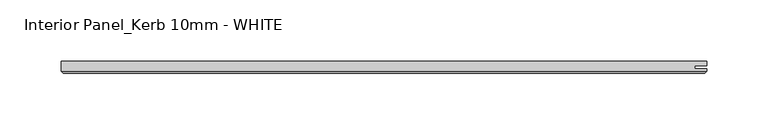
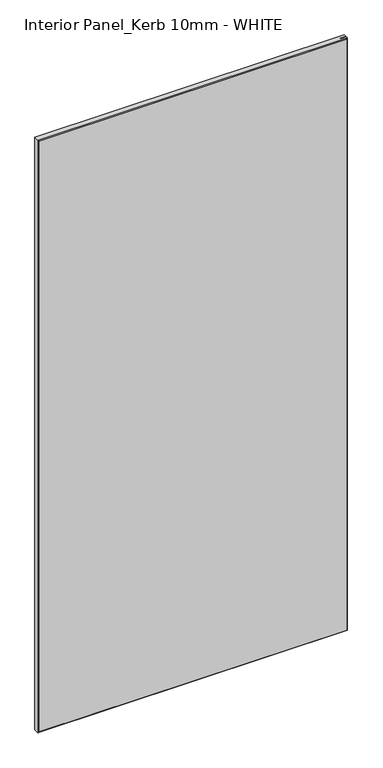
"""IFC4 building model written with IfcOpenShell, lengths in millimetres: proxy geometry, Interior Panel_Kerb 10mm - WHITE."""

import ifcopenshell
import ifcopenshell.guid

model = None  # the IFC model being written
_history = None  # IfcOwnerHistory: only IFC2X3 demands one
_inside = {}  # id of a spatial element -> (the spatial element, [elements in it])
_under = {}  # id of a project, library or spatial element -> (it, [spatial elements below it])
_declared = {}  # id of a project -> (the project, [libraries it declares])
_typed = {}  # id of a type object -> (the type object, [elements of that type])
_made_of = {}  # id of a material, layer set ... -> (it, [elements and type objects made of it])


def new_model(schema):
    """Start an empty IFC model of exactly this schema.

    Asked for "IFC4X3", IfcOpenShell would pick the latest addendum, in which some entities
    have other attributes; the version numbers below select the first issue.
    IFC2X3 requires an IfcOwnerHistory on every rooted entity: one is made here for all.
    """
    global model, _history
    if schema == "IFC4X3":
        model = ifcopenshell.file(schema_version=(4, 3, 0, 0))
    else:
        model = ifcopenshell.file(schema=schema)
    _inside.clear()
    _under.clear()
    _declared.clear()
    _typed.clear()
    _made_of.clear()
    _history = None
    if model.schema == "IFC2X3":
        org = make("IfcOrganization", Name="unknown")
        user = make(
            "IfcPersonAndOrganization",
            ThePerson=make("IfcPerson", FamilyName="unknown"),
            TheOrganization=org,
        )
        app = make(
            "IfcApplication",
            ApplicationDeveloper=org,
            Version="unknown",
            ApplicationFullName="unknown",
            ApplicationIdentifier="unknown",
        )
        _history = make(
            "IfcOwnerHistory",
            OwningUser=user,
            OwningApplication=app,
            ChangeAction="ADDED",
            CreationDate=0,
        )
    return model


def make(cls, **values):
    """One entity of the class cls with the attributes given. An attribute that is None is left unset."""
    return model.create_entity(
        cls, **{name: value for name, value in values.items() if value is not None}
    )


def rooted(cls, **values):
    """An entity with a GlobalId (a new one), such as an element, a storey or a relation."""
    return make(cls, GlobalId=ifcopenshell.guid.new(), OwnerHistory=_history, **values)


def si_unit(unit_type, name, prefix=None):
    """IfcSIUnit, for example si_unit("LENGTHUNIT", "METRE", prefix="MILLI")."""
    return make("IfcSIUnit", UnitType=unit_type, Prefix=prefix, Name=name)


def assignment(units):
    """IfcUnitAssignment: the units of a project."""
    return None if units is None else make("IfcUnitAssignment", Units=units)


def point(xyz):
    """IfcCartesianPoint."""
    return None if xyz is None else make("IfcCartesianPoint", Coordinates=xyz)


def direction(xyz):
    """IfcDirection."""
    return None if xyz is None else make("IfcDirection", DirectionRatios=xyz)


def frame(location, z_axis=None, x_axis=None):
    """IfcAxis2Placement3D, a coordinate frame: its origin and axes. An axis left out is left unset."""
    return make(
        "IfcAxis2Placement3D",
        Location=point(location),
        Axis=direction(z_axis),
        RefDirection=direction(x_axis),
    )


def origin():
    """The frame at (0, 0, 0) with its axes left unset."""
    return frame((0.0, 0.0, 0.0))


def place(relative_to, where):
    """IfcLocalPlacement: puts the frame where relative to a parent placement (None: the world)."""
    return make(
        "IfcLocalPlacement", PlacementRelTo=relative_to, RelativePlacement=where
    )


def context(
    kind, dimensions, precision=None, world=None, true_north=None, identifier=None
):
    """IfcGeometricRepresentationContext, for example the 3D "Model" context."""
    return make(
        "IfcGeometricRepresentationContext",
        ContextIdentifier=identifier,
        ContextType=kind,
        CoordinateSpaceDimension=dimensions,
        Precision=precision,
        WorldCoordinateSystem=world,
        TrueNorth=true_north,
    )


def project(units=None, contexts=None):
    """IfcProject with its units and contexts."""
    return rooted(
        "IfcProject",
        Name="project",
        RepresentationContexts=contexts,
        UnitsInContext=assignment(units),
    )


def spatial(cls, under=None, at=None, **own):
    """A site, building, storey or space (cls), placed at a placement, below another one or the project."""
    s = rooted(cls, ObjectPlacement=at, **own)
    if under is not None:
        _under.setdefault(under.id(), (under, []))[1].append(s)
    return s


def faces_of(points, faces, orient=None, outer=None):
    """IfcFace entities. A face is a list of loops; a loop is a list of indices into points, from 0.

    orient and outer hold one flag for each loop. By default every Orientation is true, the
    first loop of a face is its IfcFaceOuterBound and the others are IfcFaceBound.
    """
    made = []
    for i, loops in enumerate(faces):
        bounds = []
        for j, loop in enumerate(loops):
            is_outer = j == 0 if outer is None else outer[i][j]
            bounds.append(
                make(
                    "IfcFaceOuterBound" if is_outer else "IfcFaceBound",
                    Bound=make("IfcPolyLoop", Polygon=[points[k] for k in loop]),
                    Orientation=True if orient is None else orient[i][j],
                )
            )
        made.append(make("IfcFace", Bounds=bounds))
    return made


def faceted_brep(points, faces, orient=None, outer=None, voids=None):
    """IfcFacetedBrep: a solid bounded by flat faces; with voids (closed shells), ...WithVoids."""
    shared = [point(p) for p in points]
    hull = make("IfcClosedShell", CfsFaces=faces_of(shared, faces, orient, outer))
    if voids is None:
        return make("IfcFacetedBrep", Outer=hull)
    return make(
        "IfcFacetedBrepWithVoids",
        Outer=hull,
        Voids=[
            make(cls, CfsFaces=faces_of(shared, fs, o, b)) for cls, fs, o, b in voids
        ],
    )


def shape(context_of_items, identifier, shape_type, items):
    """IfcShapeRepresentation: the items that make up one representation, for example the "Body"."""
    return make(
        "IfcShapeRepresentation",
        ContextOfItems=context_of_items,
        RepresentationIdentifier=identifier,
        RepresentationType=shape_type,
        Items=items,
    )


def source(mapping_origin, context_of_items, identifier, shape_type, items):
    """IfcRepresentationMap: a shape defined once, which mapped items show again and again."""
    return make(
        "IfcRepresentationMap",
        MappingOrigin=mapping_origin,
        MappedRepresentation=shape(context_of_items, identifier, shape_type, items),
    )


def transform(
    local_origin,
    x_axis=None,
    y_axis=None,
    z_axis=None,
    scale=None,
    scale2=None,
    scale3=None,
    uniform=True,
):
    """IfcCartesianTransformationOperator3D, or its non-uniform kind. x_axis, y_axis, z_axis: its Axis1, 2, 3."""
    if uniform:
        return make(
            "IfcCartesianTransformationOperator3D",
            Axis1=direction(x_axis),
            Axis2=direction(y_axis),
            LocalOrigin=point(local_origin),
            Scale=scale,
            Axis3=direction(z_axis),
        )
    return make(
        "IfcCartesianTransformationOperator3DnonUniform",
        Axis1=direction(x_axis),
        Axis2=direction(y_axis),
        LocalOrigin=point(local_origin),
        Scale=scale,
        Axis3=direction(z_axis),
        Scale2=scale2,
        Scale3=scale3,
    )


def mapped(mapping_source, mapping_target):
    """IfcMappedItem: shows the shape of a source again, moved by a transform."""
    return make(
        "IfcMappedItem", MappingSource=mapping_source, MappingTarget=mapping_target
    )


def made_of(thing, what):
    """Note that an element or type object is made of a material, layer set ...; save() writes the relation."""
    if what is not None:
        _made_of.setdefault(what.id(), (what, []))[1].append(thing)
    return thing


def element(
    cls,
    number,
    at=None,
    inside=None,
    cuts=None,
    type_object=None,
    material=None,
    context=None,
    identifier="Body",
    shape_type=None,
    held_by="IfcProductDefinitionShape",
    body=None,
    shapes=None,
    **own,
):
    """One element of the class cls, such as IfcWall. Its Tag is "e" and its number.

    at: its placement. inside: the storey or other place that contains it. cuts: it is an
    opening in that element (IfcRelVoidsElement). A single representation is given by context,
    identifier, shape_type and body (its items); several are given by shapes. held_by: the class
    of the entity that holds the representations. save() writes the other relations.
    """
    e = rooted(cls, Tag="e%d" % number, ObjectPlacement=at, **own)
    if body is not None:
        shapes = [shape(context, identifier, shape_type, body)]
    if shapes is not None:
        e.Representation = make(held_by, Representations=shapes)
    if inside is not None:
        _inside.setdefault(inside.id(), (inside, []))[1].append(e)
    if cuts is not None:
        rooted(
            "IfcRelVoidsElement", RelatingBuildingElement=cuts, RelatedOpeningElement=e
        )
    if type_object is not None:
        _typed.setdefault(type_object.id(), (type_object, []))[1].append(e)
    return made_of(e, material)


def aggregate(whole, parts):
    """IfcRelAggregates: a whole, such as a stair, and the parts it consists of."""
    return rooted("IfcRelAggregates", RelatingObject=whole, RelatedObjects=parts)


def save(model, path):
    """Write the relations noted so far, then the file.

    IfcRelAggregates (storeys below a building ...), IfcRelContainedInSpatialStructure (elements
    in a storey), IfcRelDefinesByType, IfcRelAssociatesMaterial and IfcRelDeclares: one each for
    every whole, place, type object, material and project.
    """
    for whole, parts in _under.values():
        aggregate(whole, parts)
    for where, things in _inside.values():
        rooted(
            "IfcRelContainedInSpatialStructure",
            RelatedElements=things,
            RelatingStructure=where,
        )
    for kind, things in _typed.values():
        rooted("IfcRelDefinesByType", RelatedObjects=things, RelatingType=kind)
    for what, things in _made_of.values():
        rooted("IfcRelAssociatesMaterial", RelatedObjects=things, RelatingMaterial=what)
    for by, libraries in _declared.values():
        rooted("IfcRelDeclares", RelatingContext=by, RelatedDefinitions=libraries)
    model.write(path)


def interior_panel_kerb_10mm_white_6c943034(model_context):
    return source(origin(), model_context, "Body", "Brep", [
        faceted_brep([(452.4375, 3.175, 1063.625), (-73.025, 3.175, 1063.625), (-73.025, -4.7625, 1063.625), (452.4375, -4.7625, 1063.625), (452.4375, -2.6543, 1063.625), (442.6148437, -2.6543, 1063.625), (442.6148437, -0.5207, 1063.625), (452.4375, -0.5207, 1063.625), (452.4375, 3.175, 0.0), (452.4375, -0.5207, 0.0), (442.6148437, -0.5207, 0.0), (442.6148437, -2.6543, 0.0), (452.4375, -2.6543, 0.0), (452.4375, -4.7625, 0.0), (-73.025, -4.7625, 0.0), (-73.025, 3.175, 0.0), (-71.4375, -6.35, 1062.0375), (-71.4375, -6.35, 1.5875), (450.85, -6.35, 1.5875), (450.85, -6.35, 1062.0375)], [[[0, 1, 2, 3, 4, 5, 6, 7]], [[8, 9, 10, 11, 12, 13, 14, 15]], [[1, 0, 8, 15]], [[2, 1, 15, 14]], [[16, 17, 18, 19]], [[4, 3, 13, 12]], [[2, 14, 17, 16]], [[13, 3, 19, 18]], [[3, 2, 16, 19]], [[14, 13, 18, 17]], [[5, 4, 12, 11]], [[6, 5, 11, 10]], [[7, 6, 10, 9]], [[0, 7, 9, 8]]]),
    ])


if __name__ == "__main__":
    model = new_model("IFC4")
    model_context = context("Model", 3, world=origin())
    ifc_project = project(units=[si_unit("LENGTHUNIT", "METRE", prefix="MILLI")], contexts=[model_context])
    site = spatial("IfcSite", under=ifc_project)
    building = spatial("IfcBuilding", under=site)
    placement = place(None, origin())
    interior_panel_kerb_10mm_white_shape = interior_panel_kerb_10mm_white_6c943034(model_context)
    element("IfcBuildingElementProxy", 1, Name="Interior Panel_Kerb 10mm - WHITE", ObjectType="Interior Panel_Kerb 10mm - WHITE", at=placement, inside=building, context=model_context, shape_type="MappedRepresentation", body=[
        mapped(interior_panel_kerb_10mm_white_shape, transform((0.0, 0.0, 0.0), x_axis=(1.0, 0.0, 0.0), y_axis=(0.0, 1.0, 0.0), z_axis=(0.0, 0.0, 1.0))),
    ])
    save(model, "model.ifc")
